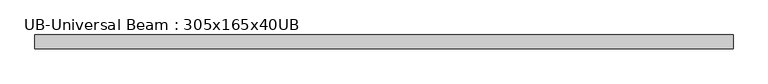
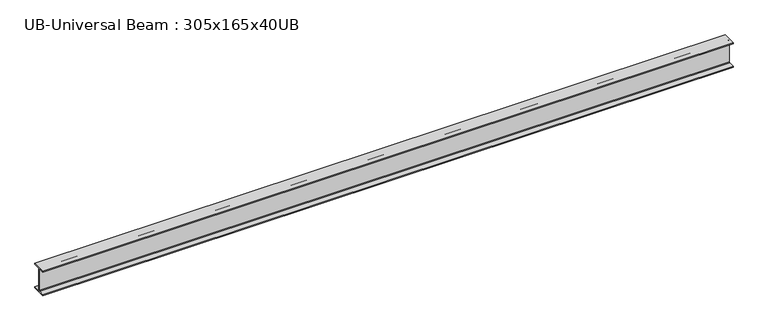
"""IFC4 building model written with IfcOpenShell, lengths in millimetres: beam geometry, UB-Universal Beam : 305x165x40UB."""

from ifc_helpers import new_model, si_unit, point, frame, frame_2d, origin, place, context, project, spatial, polyline, circle_curve, trimmed, segment, composite_curve, outline, extrude, source, transform, mapped, element, save


def ub_universal_beam_305x165x40ub_fc16dd7c(model_context):
    return source(origin(), model_context, "Body", "SweptSolid", [
        extrude(outline(composite_curve([segment(polyline([(82.5, -141.5), (82.5, -151.7), (-82.5, -151.7), (-82.5, -141.5), (-11.9, -141.5)]), True, "CONTINUOUS"), segment(trimmed(circle_curve(frame_2d((-11.9, -132.6)), 8.9), [point((-11.9, -141.5))], [point((-3.0, -132.6))], True, "CARTESIAN"), True, "CONTINUOUS"), segment(polyline([(-3.0, -132.6), (-3.0, 132.6)]), True, "CONTINUOUS"), segment(trimmed(circle_curve(frame_2d((-11.9, 132.6)), 8.9), [point((-3.0, 132.6))], [point((-11.9, 141.5))], True, "CARTESIAN"), True, "CONTINUOUS"), segment(polyline([(-11.9, 141.5), (-82.5, 141.5), (-82.5, 151.7), (82.5, 151.7), (82.5, 141.5), (11.9, 141.5)]), True, "CONTINUOUS"), segment(trimmed(circle_curve(frame_2d((11.9, 132.6)), 8.9), [point((11.9, 141.5))], [point((3.0, 132.6))], True, "CARTESIAN"), True, "CONTINUOUS"), segment(polyline([(3.0, 132.6), (3.0, -132.6)]), True, "CONTINUOUS"), segment(trimmed(circle_curve(frame_2d((11.9, -132.6)), 8.9), [point((3.0, -132.6))], [point((11.9, -141.5))], True, "CARTESIAN"), True, "CONTINUOUS"), segment(polyline([(11.9, -141.5), (82.5, -141.5)]), True, "CONTINUOUS")], self_intersect=False)), frame((-4092.099693, 0.0, 0.0), z_axis=(1.0, 0.0, 0.0), x_axis=(0.0, 1.0, 0.0)), (0.0, 0.0, 1.0), 8191.7479987),
    ])


if __name__ == "__main__":
    model = new_model("IFC4")
    model_context = context("Model", 3, world=origin())
    ifc_project = project(units=[si_unit("LENGTHUNIT", "METRE", prefix="MILLI")], contexts=[model_context])
    site = spatial("IfcSite", under=ifc_project)
    building = spatial("IfcBuilding", under=site)
    placement = place(None, origin())
    ub_universal_beam_305x165x40ub_shape = ub_universal_beam_305x165x40ub_fc16dd7c(model_context)
    element("IfcBeam", 1, ObjectType="UB-Universal Beam : 305x165x40UB", at=placement, inside=building, context=model_context, shape_type="MappedRepresentation", body=[
        mapped(ub_universal_beam_305x165x40ub_shape, transform((0.0, 0.0, 0.0), x_axis=(1.0, 0.0, 0.0), y_axis=(0.0, 1.0, 0.0), z_axis=(0.0, 0.0, 1.0))),
    ])
    save(model, "model.ifc")
